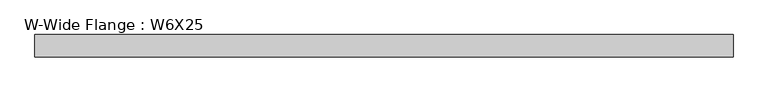
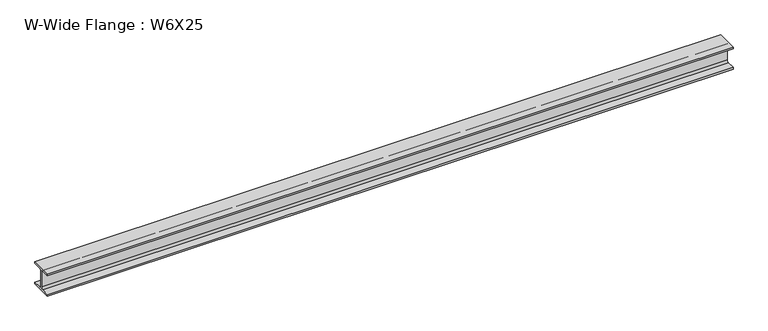
"""IFC4 building model written with IfcOpenShell, lengths in millimetres: beam geometry, W-Wide Flange : W6X25."""

from ifc_helpers import new_model, si_unit, point, frame, frame_2d, origin, place, context, project, spatial, polyline, circle_curve, trimmed, segment, composite_curve, outline, extrude, source, transform, mapped, element, save


def w_wide_flange_w6x25_d1b99d40(model_context):
    return source(origin(), model_context, "Body", "SweptSolid", [
        extrude(outline(composite_curve([segment(polyline([(77.1921875, -69.5027344), (77.1921875, -81.0121094), (-77.1921875, -81.0121094), (-77.1921875, -69.5027344), (-16.3710938, -69.5027344)]), True, "CONTINUOUS"), segment(trimmed(circle_curve(frame_2d((-16.3710938, -57.1996094)), 12.303125), [point((-16.3710938, -69.5027344))], [point((-4.0679688, -57.1996094))], True, "CARTESIAN"), True, "CONTINUOUS"), segment(polyline([(-4.0679688, -57.1996094), (-4.0679688, 57.1996094)]), True, "CONTINUOUS"), segment(trimmed(circle_curve(frame_2d((-16.3710938, 57.1996094)), 12.303125), [point((-4.0679688, 57.1996094))], [point((-16.3710938, 69.5027344))], True, "CARTESIAN"), True, "CONTINUOUS"), segment(polyline([(-16.3710938, 69.5027344), (-77.1921875, 69.5027344), (-77.1921875, 81.0121094), (77.1921875, 81.0121094), (77.1921875, 69.5027344), (16.3710937, 69.5027344)]), True, "CONTINUOUS"), segment(trimmed(circle_curve(frame_2d((16.3710937, 57.1996094)), 12.303125), [point((16.3710937, 69.5027344))], [point((4.0679687, 57.1996094))], True, "CARTESIAN"), True, "CONTINUOUS"), segment(polyline([(4.0679687, 57.1996094), (4.0679687, -57.1996094)]), True, "CONTINUOUS"), segment(trimmed(circle_curve(frame_2d((16.3710937, -57.1996094)), 12.303125), [point((4.0679687, -57.1996094))], [point((16.3710937, -69.5027344))], True, "CARTESIAN"), True, "CONTINUOUS"), segment(polyline([(16.3710937, -69.5027344), (77.1921875, -69.5027344)]), True, "CONTINUOUS")], self_intersect=False)), frame((-2439.5331674, 0.0, 0.0), z_axis=(1.0, 0.0, 0.0), x_axis=(0.0, 1.0, 0.0)), (0.0, 0.0, 1.0), 4860.1245719),
    ])


if __name__ == "__main__":
    model = new_model("IFC4")
    model_context = context("Model", 3, world=origin())
    ifc_project = project(units=[si_unit("LENGTHUNIT", "METRE", prefix="MILLI")], contexts=[model_context])
    site = spatial("IfcSite", under=ifc_project)
    building = spatial("IfcBuilding", under=site)
    placement = place(None, origin())
    w_wide_flange_w6x25_shape = w_wide_flange_w6x25_d1b99d40(model_context)
    element("IfcBeam", 1, ObjectType="W-Wide Flange : W6X25", at=placement, inside=building, context=model_context, shape_type="MappedRepresentation", body=[
        mapped(w_wide_flange_w6x25_shape, transform((0.0, 0.0, 0.0), x_axis=(1.0, 0.0, 0.0), y_axis=(0.0, 1.0, 0.0), z_axis=(0.0, 0.0, 1.0))),
    ])
    save(model, "model.ifc")
